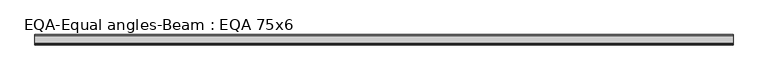
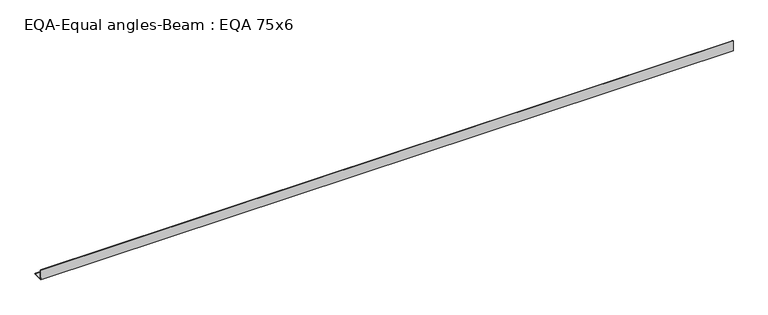
"""IFC4 building model written with IfcOpenShell, lengths in millimetres: beam geometry, EQA-Equal angles-Beam : EQA 75x6."""

from ifc_helpers import new_model, si_unit, point, frame, frame_2d, origin, place, context, project, spatial, polyline, circle_curve, trimmed, segment, composite_curve, outline, extrude, source, transform, mapped, element, save


def eqa_equal_angles_beam_eqa_75x6_73130382(model_context):
    return source(origin(), model_context, "Body", "SweptSolid", [
        extrude(outline(composite_curve([segment(polyline([(-20.5, -20.5), (-20.5, 54.5), (-19.0, 54.5)]), True, "CONTINUOUS"), segment(trimmed(circle_curve(frame_2d((-19.0, 50.0)), 4.5), [point((-19.0, 54.5))], [point((-14.5, 50.0))], False, "CARTESIAN"), True, "CONTINUOUS"), segment(polyline([(-14.5, 50.0), (-14.5, -5.5)]), True, "CONTINUOUS"), segment(trimmed(circle_curve(frame_2d((-5.5, -5.5)), 9.0), [point((-14.5, -5.5))], [point((-5.5, -14.5))], True, "CARTESIAN"), True, "CONTINUOUS"), segment(polyline([(-5.5, -14.5), (50.0, -14.5)]), True, "CONTINUOUS"), segment(trimmed(circle_curve(frame_2d((50.0, -19.0)), 4.5), [point((50.0, -14.5))], [point((54.5, -19.0))], False, "CARTESIAN"), True, "CONTINUOUS"), segment(polyline([(54.5, -19.0), (54.5, -20.5), (-20.5, -20.5)]), True, "CONTINUOUS")], self_intersect=False)), frame((-2496.5750709, 0.0, 0.0), z_axis=(1.0, 0.0, 0.0), x_axis=(0.0, 1.0, 0.0)), (0.0, 0.0, 1.0), 4968.7833425),
    ])


if __name__ == "__main__":
    model = new_model("IFC4")
    model_context = context("Model", 3, world=origin())
    ifc_project = project(units=[si_unit("LENGTHUNIT", "METRE", prefix="MILLI")], contexts=[model_context])
    site = spatial("IfcSite", under=ifc_project)
    building = spatial("IfcBuilding", under=site)
    placement = place(None, origin())
    eqa_equal_angles_beam_eqa_75x6_shape = eqa_equal_angles_beam_eqa_75x6_73130382(model_context)
    element("IfcBeam", 1, ObjectType="EQA-Equal angles-Beam : EQA 75x6", at=placement, inside=building, context=model_context, shape_type="MappedRepresentation", body=[
        mapped(eqa_equal_angles_beam_eqa_75x6_shape, transform((0.0, 0.0, 0.0), x_axis=(1.0, 0.0, 0.0), y_axis=(0.0, 1.0, 0.0), z_axis=(0.0, 0.0, 1.0))),
    ])
    save(model, "model.ifc")
